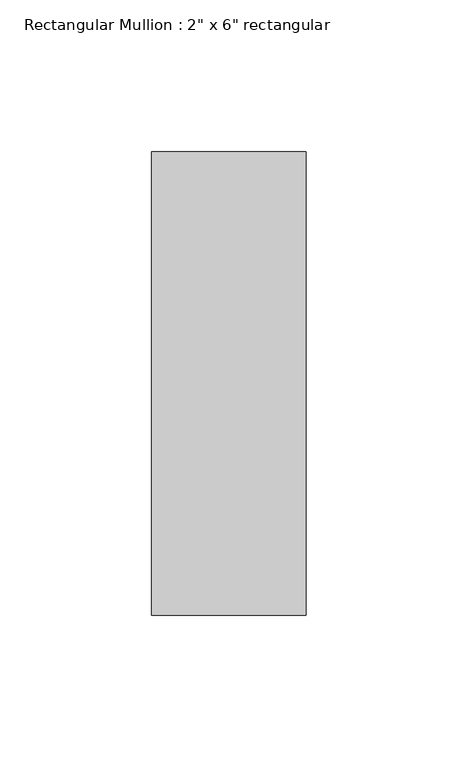
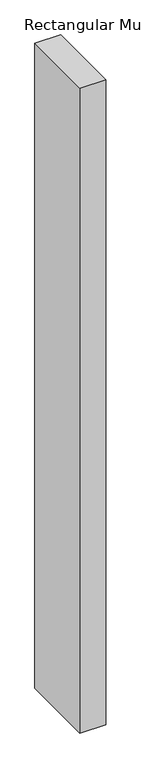
"""IFC4 building model written with IfcOpenShell, lengths in millimetres: member geometry."""

from ifc_helpers import new_model, si_unit, frame, origin, place, context, project, spatial, polyline, outline, extrude, source, transform, mapped, element, save


def member_10e0bc61(model_context):
    return source(origin(), model_context, "Body", "SweptSolid", [
        extrude(outline(polyline([(0.0, 76.2), (0.0, -76.2), (-50.8, -76.2), (-50.8, 76.2), (0.0, 76.2)])), frame((0.0, 0.0, -1336.675), z_axis=(0.0, 0.0, 1.0), x_axis=(1.0, 0.0, 0.0)), (0.0, 0.0, 1.0), 1336.675),
    ])


if __name__ == "__main__":
    model = new_model("IFC4")
    model_context = context("Model", 3, world=origin())
    ifc_project = project(units=[si_unit("LENGTHUNIT", "METRE", prefix="MILLI")], contexts=[model_context])
    site = spatial("IfcSite", under=ifc_project)
    building = spatial("IfcBuilding", under=site)
    placement = place(None, origin())
    member_shape = member_10e0bc61(model_context)
    element("IfcMember", 1, ObjectType="Rectangular Mullion : 2\" x 6\" rectangular", at=placement, inside=building, context=model_context, shape_type="MappedRepresentation", body=[
        mapped(member_shape, transform((0.0, 0.0, 0.0), x_axis=(1.0, 0.0, 0.0), y_axis=(0.0, 1.0, 0.0), z_axis=(0.0, 0.0, 1.0))),
    ])
    save(model, "model.ifc")
